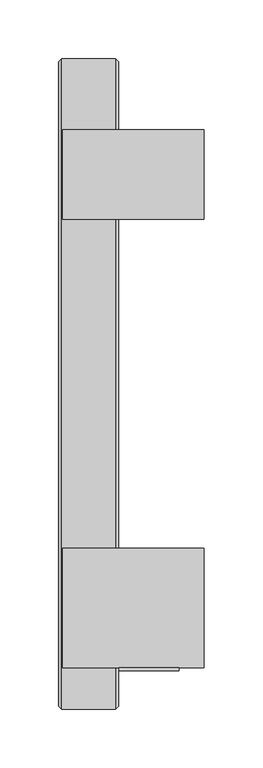
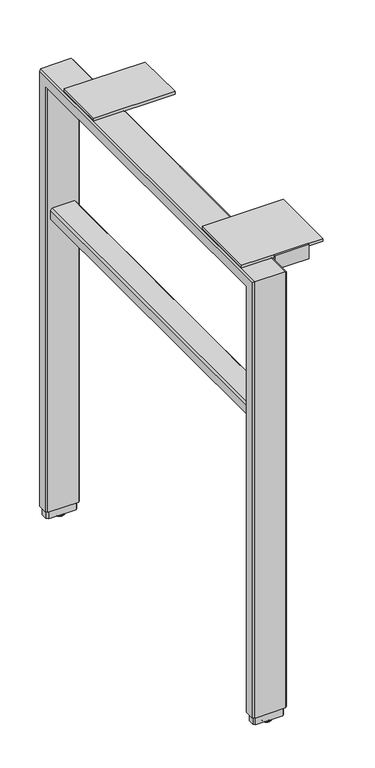
"""IFC4 building model written with IfcOpenShell, lengths in millimetres: furniture geometry."""

from ifc_helpers import new_model, si_unit, point, frame, origin, place, context, project, spatial, polyline, circle_curve, ellipse_curve, trimmed, outline, extrude, faceted_brep, source, transform, mapped, element, save
from ifc_brep_helpers import plane_surface, cylinder_surface, revolved_surface, advanced_brep


def furniture_03383103(model_context):
    return source(origin(), model_context, "Body", "SolidModel", [
        faceted_brep([(-713.738802, -269.2087799, 16.51), (-711.1994, -271.7487775, 16.51), (-711.1994, -285.7187823, 16.51), (-713.738802, -288.2587799, 16.51), (-759.458801, -288.2587799, 16.51), (-761.998801, -285.7187823, 16.51), (-761.998801, -271.7487775, 16.51), (-759.458801, -269.2087799, 16.51), (-711.1994, -271.7487775, 686.1556198), (-711.1994, 247.9860177, 686.1556198), (-711.1994, 247.9860177, 16.51), (-711.1994, 261.9560225, 16.51), (-711.1994, 261.9560225, 700.1256246), (-711.1994, -285.7187823, 700.1256246), (-713.738802, -288.2587799, 702.6656222), (-759.458801, -288.2587799, 702.6656222), (-761.998801, -285.7187823, 700.1256246), (-761.998801, 261.9560225, 700.1256246), (-761.998801, 261.9560225, 16.51), (-761.998801, 247.9860177, 16.51), (-761.998801, 247.9860177, 686.1556198), (-761.998801, -271.7487775, 686.1556198), (-759.458801, -269.2087799, 683.6156222), (-713.738802, -269.2087799, 683.6156222), (-713.738802, 264.4960201, 702.6656222), (-759.458801, 264.4960201, 702.6656222), (-759.458801, 245.4460201, 683.6156222), (-713.738802, 245.4460201, 683.6156222), (-713.738802, 264.4960201, 16.51), (-759.458801, 264.4960201, 16.51), (-759.458801, 245.4460201, 16.51), (-713.738802, 245.4460201, 16.51)], [[[0, 1, 2, 3, 4, 5, 6, 7]], [[2, 1, 8, 9, 10, 11, 12, 13]], [[4, 3, 14, 15]], [[6, 5, 16, 17, 18, 19, 20, 21]], [[0, 7, 22, 23]], [[15, 14, 24, 25]], [[23, 22, 26, 27]], [[25, 24, 28, 29]], [[27, 26, 30, 31]], [[31, 30, 19, 18, 29, 28, 11, 10]], [[1, 0, 23, 8]], [[3, 2, 13, 14]], [[5, 4, 15, 16]], [[7, 6, 21, 22]], [[8, 23, 27, 9]], [[14, 13, 12, 24]], [[16, 15, 25, 17]], [[22, 21, 20, 26]], [[9, 27, 31, 10]], [[24, 12, 11, 28]], [[17, 25, 29, 18]], [[26, 20, 19, 30]]]),
        extrude(outline(polyline([(-255.6197799, 684.5046222), (-255.6197799, 707.0090222), (-253.3337799, 707.0090222), (-253.3337799, 688.8480222), (-232.2517799, 688.8480222), (-232.2517799, 684.5046222), (-255.6197799, 684.5046222)])), frame((-710.563801, 0.0, 0.0), z_axis=(1.0, 0.0, 0.0), x_axis=(0.0, 1.0, 0.0)), (0.0, 0.0, 1.0), 50.8),
        advanced_brep(
        [(-731.5193954, 254.9710201, 0.0), (-741.6793993, 254.9710201, 0.0), (-736.5993974, 254.9710201, 0.0), (-736.5993974, 254.9710201, 3.8100001), (-743.2220422, 254.9710201, 3.8100001), (-729.9767525, 254.9710201, 3.8100001), (-743.7113974, 254.9710201, 3.183654), (-729.4873973, 254.9710201, 3.183654), (-743.7113974, 254.9710201, 2.032), (-729.4873973, 254.9710201, 2.032)],
        [
            (0, 1, circle_curve(frame((-736.5993974, 254.9710201, 0.0), z_axis=(0.0, 0.0, -1.0), x_axis=(-1.0, 0.0, 0.0)), 5.080002)),
            (1, 2),
            (2, 0),
            (1, 0, circle_curve(frame((-736.5993974, 254.9710201, 0.0), z_axis=(0.0, 0.0, -1.0), x_axis=(-1.0, 0.0, 0.0)), 5.080002)),
            (3, 4),
            (4, 5, circle_curve(frame((-736.5993974, 254.9710201, 3.8100001), z_axis=(0.0, 0.0, 1.0), x_axis=(-1.0, 0.0, 0.0)), 6.6226448)),
            (5, 3),
            (5, 4, circle_curve(frame((-736.5993974, 254.9710201, 3.8100001), z_axis=(0.0, 0.0, 1.0), x_axis=(-1.0, 0.0, 0.0)), 6.6226448)),
            (4, 6),
            (6, 7, circle_curve(frame((-736.5993974, 254.9710201, 3.183654), z_axis=(0.0, 0.0, 1.0), x_axis=(-1.0, 0.0, 0.0)), 7.112)),
            (7, 5),
            (7, 6, circle_curve(frame((-736.5993974, 254.9710201, 3.183654), z_axis=(0.0, 0.0, 1.0), x_axis=(-1.0, 0.0, 0.0)), 7.112)),
            (6, 8),
            (8, 9, circle_curve(frame((-736.5993974, 254.9710201, 2.032), z_axis=(0.0, 0.0, 1.0), x_axis=(-1.0, 0.0, 0.0)), 7.112)),
            (9, 7),
            (9, 8, circle_curve(frame((-736.5993974, 254.9710201, 2.032), z_axis=(0.0, 0.0, 1.0), x_axis=(-1.0, 0.0, 0.0)), 7.112)),
            (8, 1, circle_curve(frame((-740.2425579, 254.9710201, 3.4688381), z_axis=(0.0, -1.0, 0.0), x_axis=(-1.0, 0.0, 0.0)), 3.7546439)),
            (0, 9, circle_curve(frame((-732.9562368, 254.9710201, 3.4688381), z_axis=(0.0, -1.0, 0.0), x_axis=(1.0, 0.0, 0.0)), 3.7546439)),
        ],
        [
            plane_surface(frame((-736.5993974, 254.9710201, 0.0), z_axis=(0.0, 0.0, -1.0), x_axis=(-1.0, 0.0, 0.0))),
            plane_surface(frame((-736.5993974, 254.9710201, 3.8100001), z_axis=(0.0, 0.0, 1.0), x_axis=(-1.0, 0.0, 0.0))),
            revolved_surface(polyline([(-743.7113974, 254.9710201, 3.183654), (-743.2220422, 254.9710201, 3.8100001)]), (-736.5993974, 254.9710201, -2.6032322), (0.0, 0.0, 1.0)),
            cylinder_surface(frame((-736.5993974, 254.9710201, -2.6032322), z_axis=(0.0, 0.0, 1.0), x_axis=(-1.0, 0.0, 0.0)), 7.112),
            revolved_surface(trimmed(ellipse_curve(frame((-740.2425579, 254.9710201, 3.4688381), z_axis=(0.0, 1.0, 0.0), x_axis=(-1.0, 0.0, 0.0)), 3.7546439, 3.7546439), [point((-741.6793993, 254.9710201, 0.0))], [point((-743.7113974, 254.9710201, 2.032))], True, "CARTESIAN"), (-736.5993974, 254.9710201, -2.6032322), (0.0, 0.0, 1.0)),
        ],
        [
            (0, [[1, 2, 3]]),
            (0, [[4, -3, -2]]),
            (1, [[5, 6, 7]]),
            (1, [[-7, 8, -5]]),
            (2, [[-6, 9, 10, 11]]),
            (2, [[-8, -11, 12, -9]]),
            (3, [[-10, 13, 14, 15]]),
            (3, [[-12, -15, 16, -13]]),
            (4, [[-14, 17, -1, 18]]),
            (4, [[-16, -18, -4, -17]]),
        ],
    ),
        extrude(outline(polyline([(-638.173801, -151.7337799), (-638.173801, -253.3337799), (-758.823801, -253.3337799), (-758.823801, -151.7337799), (-638.173801, -151.7337799)])), frame((0.0, 0.0, 702.6656222), z_axis=(0.0, 0.0, 1.0), x_axis=(1.0, 0.0, 0.0)), (0.0, 0.0, 1.0), 4.3434),
        extrude(outline(polyline([(-638.173801, 204.1710201), (-638.173801, 127.9710201), (-758.823801, 127.9710201), (-758.823801, 204.1710201), (-638.173801, 204.1710201)])), frame((0.0, 0.0, 702.6656222), z_axis=(0.0, 0.0, 1.0), x_axis=(1.0, 0.0, 0.0)), (0.0, 0.0, 1.0), 4.3434),
        extrude(outline(polyline([(476.5039908, -755.6487993), (473.9639932, -753.1088017), (473.9639932, -720.0887986), (476.5039908, -717.548801), (490.4739956, -717.548801), (493.0139932, -720.0887986), (493.0139932, -753.1087989), (490.4739928, -755.6487993), (476.5039908, -755.6487993)])), frame((0.0, -269.2087799, 0.0), z_axis=(0.0, 1.0, 0.0), x_axis=(0.0, 0.0, 1.0)), (0.0, 0.0, 1.0), 514.6548),
        advanced_brep(
        [(-731.5193954, -278.7337799, 0.0), (-741.6793993, -278.7337799, 0.0), (-736.5993974, -278.7337799, 0.0), (-736.5993974, -278.7337799, 3.8100001), (-743.2220422, -278.7337799, 3.8100001), (-729.9767525, -278.7337799, 3.8100001), (-743.7113974, -278.7337799, 3.183654), (-729.4873973, -278.7337799, 3.183654), (-743.7113974, -278.7337799, 2.032), (-729.4873973, -278.7337799, 2.032)],
        [
            (0, 1, circle_curve(frame((-736.5993974, -278.7337799, 0.0), z_axis=(0.0, 0.0, -1.0), x_axis=(-1.0, 0.0, 0.0)), 5.080002)),
            (1, 2),
            (2, 0),
            (1, 0, circle_curve(frame((-736.5993974, -278.7337799, 0.0), z_axis=(0.0, 0.0, -1.0), x_axis=(-1.0, 0.0, 0.0)), 5.080002)),
            (3, 4),
            (4, 5, circle_curve(frame((-736.5993974, -278.7337799, 3.8100001), z_axis=(0.0, 0.0, 1.0), x_axis=(-1.0, 0.0, 0.0)), 6.6226448)),
            (5, 3),
            (5, 4, circle_curve(frame((-736.5993974, -278.7337799, 3.8100001), z_axis=(0.0, 0.0, 1.0), x_axis=(-1.0, 0.0, 0.0)), 6.6226448)),
            (4, 6),
            (6, 7, circle_curve(frame((-736.5993974, -278.7337799, 3.183654), z_axis=(0.0, 0.0, 1.0), x_axis=(-1.0, 0.0, 0.0)), 7.112)),
            (7, 5),
            (7, 6, circle_curve(frame((-736.5993974, -278.7337799, 3.183654), z_axis=(0.0, 0.0, 1.0), x_axis=(-1.0, 0.0, 0.0)), 7.112)),
            (6, 8),
            (8, 9, circle_curve(frame((-736.5993974, -278.7337799, 2.032), z_axis=(0.0, 0.0, 1.0), x_axis=(-1.0, 0.0, 0.0)), 7.112)),
            (9, 7),
            (9, 8, circle_curve(frame((-736.5993974, -278.7337799, 2.032), z_axis=(0.0, 0.0, 1.0), x_axis=(-1.0, 0.0, 0.0)), 7.112)),
            (8, 1, circle_curve(frame((-740.2425579, -278.7337799, 3.4688381), z_axis=(0.0, -1.0, 0.0), x_axis=(-1.0, 0.0, 0.0)), 3.7546439)),
            (0, 9, circle_curve(frame((-732.9562368, -278.7337799, 3.4688381), z_axis=(0.0, -1.0, 0.0), x_axis=(1.0, 0.0, 0.0)), 3.7546439)),
        ],
        [
            plane_surface(frame((-736.5993974, -278.7337799, 0.0), z_axis=(0.0, 0.0, -1.0), x_axis=(-1.0, 0.0, 0.0))),
            plane_surface(frame((-736.5993974, -278.7337799, 3.8100001), z_axis=(0.0, 0.0, 1.0), x_axis=(-1.0, 0.0, 0.0))),
            revolved_surface(polyline([(-743.7113974, -278.7337799, 3.183654), (-743.2220422, -278.7337799, 3.8100001)]), (-736.5993974, -278.7337799, -2.6032322), (0.0, 0.0, 1.0)),
            cylinder_surface(frame((-736.5993974, -278.7337799, -2.6032322), z_axis=(0.0, 0.0, 1.0), x_axis=(-1.0, 0.0, 0.0)), 7.112),
            revolved_surface(trimmed(ellipse_curve(frame((-740.2425579, -278.7337799, 3.4688381), z_axis=(0.0, 1.0, 0.0), x_axis=(-1.0, 0.0, 0.0)), 3.7546439, 3.7546439), [point((-741.6793993, -278.7337799, 0.0))], [point((-743.7113974, -278.7337799, 2.032))], True, "CARTESIAN"), (-736.5993974, -278.7337799, -2.6032322), (0.0, 0.0, 1.0)),
        ],
        [
            (0, [[1, 2, 3]]),
            (0, [[4, -3, -2]]),
            (1, [[5, 6, 7]]),
            (1, [[-7, 8, -5]]),
            (2, [[-6, 9, 10, 11]]),
            (2, [[-8, -11, 12, -9]]),
            (3, [[-10, 13, 14, 15]]),
            (3, [[-12, -15, 16, -13]]),
            (4, [[-14, 17, -1, 18]]),
            (4, [[-16, -18, -4, -17]]),
        ],
    ),
        extrude(outline(polyline([(-757.0458011, -271.6217867), (-716.1523987, -271.6217867), (-713.6118022, -274.1617843), (-713.6118022, -283.3057756), (-716.1523987, -285.8457731), (-757.0458011, -285.8457731), (-759.5858009, -283.3057756), (-759.5858009, -274.1617843), (-757.0458011, -271.6217867)])), frame((0.0, 0.0, 3.8100001), z_axis=(0.0, 0.0, 1.0), x_axis=(1.0, 0.0, 0.0)), (0.0, 0.0, 1.0), 12.6999999),
        extrude(outline(polyline([(-757.0458011, 262.0830201), (-716.1523987, 262.0830201), (-713.6118022, 259.5430225), (-713.6118022, 250.3990312), (-716.1523987, 247.8590336), (-757.0458011, 247.8590336), (-759.5858009, 250.3990312), (-759.5858009, 259.5430225), (-757.0458011, 262.0830201)])), frame((0.0, 0.0, 3.8100001), z_axis=(0.0, 0.0, 1.0), x_axis=(1.0, 0.0, 0.0)), (0.0, 0.0, 1.0), 12.6999999),
    ])


if __name__ == "__main__":
    model = new_model("IFC4")
    model_context = context("Model", 3, world=origin())
    ifc_project = project(units=[si_unit("LENGTHUNIT", "METRE", prefix="MILLI")], contexts=[model_context])
    site = spatial("IfcSite", under=ifc_project)
    building = spatial("IfcBuilding", under=site)
    placement = place(None, origin())
    furniture_shape = furniture_03383103(model_context)
    element("IfcFurniture", 1, at=placement, inside=building, context=model_context, shape_type="MappedRepresentation", body=[
        mapped(furniture_shape, transform((0.0, 0.0, 0.0), x_axis=(1.0, 0.0, 0.0), y_axis=(0.0, 1.0, 0.0), z_axis=(0.0, 0.0, 1.0))),
    ])
    save(model, "model.ifc")
